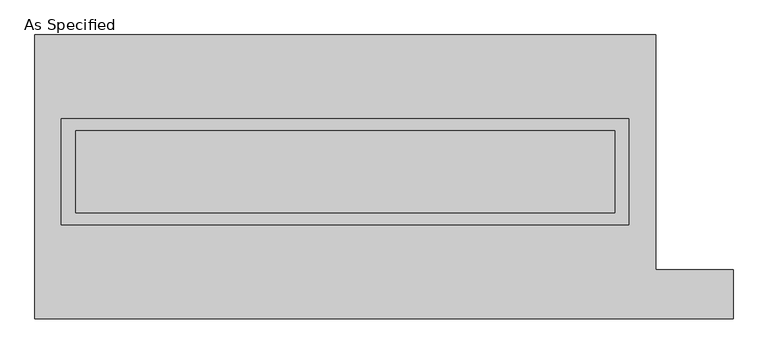
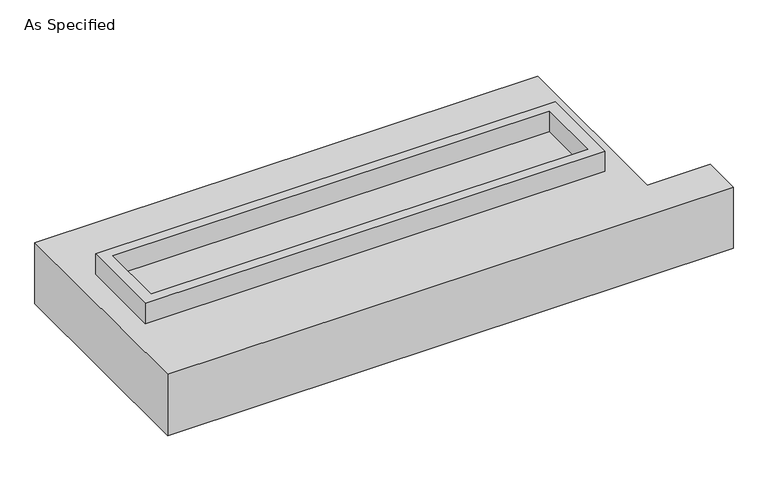
"""IFC4 building model written with IfcOpenShell, lengths in millimetres: proxy geometry, As Specified."""

from ifc_helpers import new_model, si_unit, frame, origin, place, context, project, spatial, polyline, outline, extrude, source, transform, mapped, element, save


def as_specified_a2fa6b3d(model_context):
    return source(origin(), model_context, "Body", "SweptSolid", [
        extrude(outline(polyline([(1765.3, 361.95), (1765.3, -298.45), (-1765.3, -298.45), (-1765.3, 361.95), (1765.3, 361.95)]), holes=[polyline([(1676.4, 285.75), (-1676.4, 285.75), (-1676.4, -222.25), (1676.4, -222.25), (1676.4, 285.75)])]), frame((0.0, 0.0, -688.975), z_axis=(0.0, 0.0, 1.0), x_axis=(1.0, 0.0, 0.0)), (0.0, 0.0, 1.0), 165.1),
        extrude(outline(polyline([(1765.3, 361.95), (1765.3, -298.45), (-1765.3, -298.45), (-1765.3, 361.95), (1765.3, 361.95)]), holes=[polyline([(1676.4, 285.75), (-1676.4, 285.75), (-1676.4, -222.25), (1676.4, -222.25), (1676.4, 285.75)])]), frame((0.0, 0.0, -25.4), z_axis=(0.0, 0.0, 1.0), x_axis=(1.0, 0.0, 0.0)), (0.0, 0.0, 1.0), 165.1),
        extrude(outline(polyline([(1676.4, 285.75), (1676.4, -222.25), (-1676.4, -222.25), (-1676.4, 285.75), (1676.4, 285.75)])), frame((0.0, 0.0, -523.875), z_axis=(0.0, 0.0, 1.0), x_axis=(1.0, 0.0, 0.0)), (0.0, 0.0, 1.0), 4.9609375),
        extrude(outline(polyline([(1676.4, 285.75), (1676.4, -222.25), (-1676.4, -222.25), (-1676.4, 285.75), (1676.4, 285.75)])), frame((0.0, 0.0, -30.3609375), z_axis=(0.0, 0.0, 1.0), x_axis=(1.0, 0.0, 0.0)), (0.0, 0.0, 1.0), 4.9609375),
        extrude(outline(polyline([(-1930.4, 882.65), (1930.4, 882.65), (1930.4, -577.85), (2413.0, -577.85), (2413.0, -882.65), (-1930.4, -882.65), (-1930.4, 882.65)]), holes=[polyline([(-1765.3, 361.95), (-1765.3, -298.45), (1765.3, -298.45), (1765.3, 361.95), (-1765.3, 361.95)])]), frame((0.0, 0.0, -523.875), z_axis=(0.0, 0.0, 1.0), x_axis=(1.0, 0.0, 0.0)), (0.0, 0.0, 1.0), 498.475),
    ])


if __name__ == "__main__":
    model = new_model("IFC4")
    model_context = context("Model", 3, world=origin())
    ifc_project = project(units=[si_unit("LENGTHUNIT", "METRE", prefix="MILLI")], contexts=[model_context])
    site = spatial("IfcSite", under=ifc_project)
    building = spatial("IfcBuilding", under=site)
    placement = place(None, origin())
    as_specified_shape = as_specified_a2fa6b3d(model_context)
    element("IfcBuildingElementProxy", 1, Name="As Specified", ObjectType="As Specified", at=placement, inside=building, context=model_context, shape_type="MappedRepresentation", body=[
        mapped(as_specified_shape, transform((0.0, 0.0, 0.0), x_axis=(1.0, 0.0, 0.0), y_axis=(0.0, 1.0, 0.0), z_axis=(0.0, 0.0, 1.0))),
    ])
    save(model, "model.ifc")
